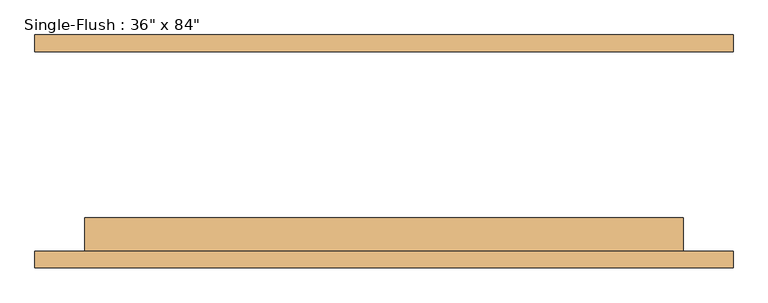
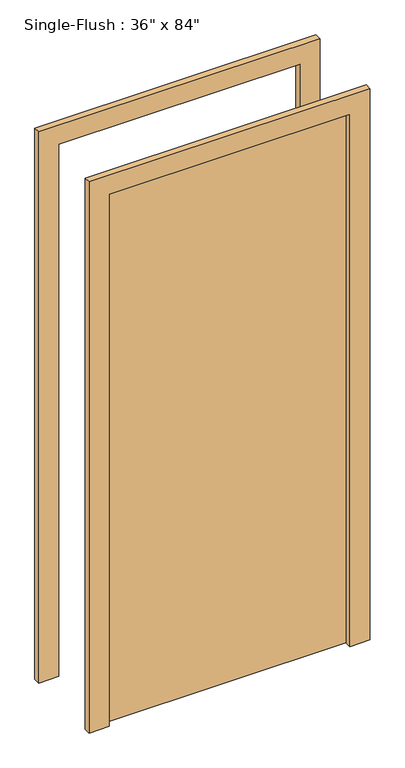
"""IFC4 building model written with IfcOpenShell, lengths in millimetres: door geometry."""

from ifc_helpers import new_model, si_unit, frame, origin, origin_with_axes, place, context, project, spatial, polyline, outline, extrude, source, transform, mapped, element, save


def door_2bf94977(model_context):
    return source(origin(), model_context, "Body", "SweptSolid", [
        extrude(outline(polyline([(2209.8, -533.4), (0.0, -533.4), (0.0, -457.2), (2133.6, -457.2), (2133.6, 457.2), (0.0, 457.2), (0.0, 533.4), (2209.8, 533.4), (2209.8, -533.4)])), frame((0.0, -177.8, 0.0), z_axis=(0.0, 1.0, 0.0), x_axis=(0.0, 0.0, 1.0)), (0.0, 0.0, 1.0), 25.4),
        extrude(outline(polyline([(2209.8, 533.4), (2209.8, -533.4), (0.0, -533.4), (0.0, -457.2), (2133.6, -457.2), (2133.6, 457.2), (0.0, 457.2), (0.0, 533.4), (2209.8, 533.4)])), frame((0.0, 152.4, 0.0), z_axis=(0.0, 1.0, 0.0), x_axis=(0.0, 0.0, 1.0)), (0.0, 0.0, 1.0), 25.4),
        extrude(outline(polyline([(457.2, -101.6), (457.2, -152.4), (-457.2, -152.4), (-457.2, -101.6), (457.2, -101.6)])), origin_with_axes(), (0.0, 0.0, 1.0), 2133.6),
    ])


if __name__ == "__main__":
    model = new_model("IFC4")
    model_context = context("Model", 3, world=origin())
    ifc_project = project(units=[si_unit("LENGTHUNIT", "METRE", prefix="MILLI")], contexts=[model_context])
    site = spatial("IfcSite", under=ifc_project)
    building = spatial("IfcBuilding", under=site)
    placement = place(None, origin())
    door_shape = door_2bf94977(model_context)
    element("IfcDoor", 1, ObjectType="Single-Flush : 36\" x 84\"", at=placement, inside=building, context=model_context, shape_type="MappedRepresentation", body=[
        mapped(door_shape, transform((0.0, 0.0, 0.0), x_axis=(1.0, 0.0, 0.0), y_axis=(0.0, 1.0, 0.0), z_axis=(0.0, 0.0, 1.0))),
    ])
    save(model, "model.ifc")
